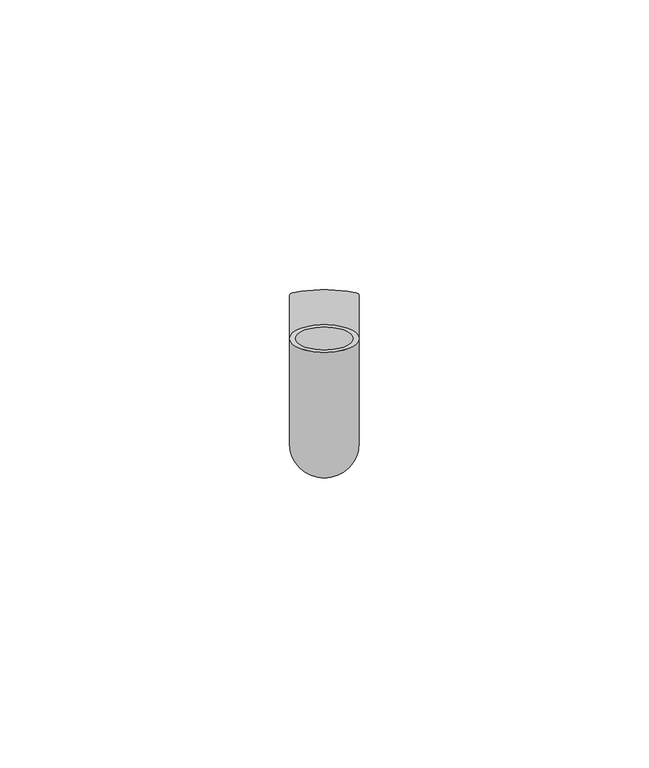
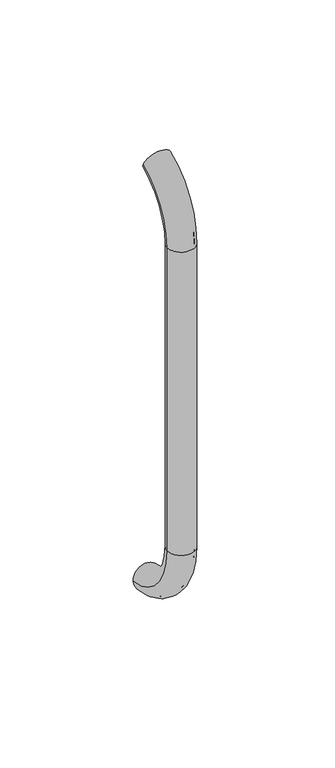
"""IFC4 building model written with IfcOpenShell, lengths in millimetres: beam geometry."""

from ifc_helpers import new_model, si_unit, point, frame, origin, place, context, project, spatial, polyline, circle_curve, ellipse_curve, trimmed, source, transform, mapped, element, save
from ifc_brep_helpers import plane_surface, cylinder_surface, revolved_surface, advanced_brep


def beam_db0bda63(model_context):
    return source(origin(), model_context, "Body", "AdvancedBrep", [
        advanced_brep(
        [(4211.5708347, 2444.0395554, 1993.7787656), (4223.5708347, 2444.0395554, 1993.7787656), (4212.5708347, 2444.0395554, 1993.7787656), (4222.5708347, 2444.0395554, 1993.7787656), (4222.5708347, 2425.9629385, 1966.25), (4212.5708347, 2425.9629385, 1966.25), (4223.5708347, 2425.9629385, 1966.25), (4211.5708347, 2425.9629385, 1966.25), (4212.5708347, 2425.9629385, 1826.25), (4222.5708347, 2425.9629385, 1826.25), (4211.5708347, 2425.9629385, 1826.25), (4223.5708347, 2425.9629385, 1826.25), (4211.5708347, 2451.5825147, 1796.5715249), (4223.5708347, 2451.5825147, 1796.5715249), (4212.5708347, 2451.5825147, 1796.5715249), (4222.5708347, 2451.5825147, 1796.5715249)],
        [
            (0, 1, circle_curve(frame((4217.5708347, 2444.0395554, 1993.7787656), z_axis=(0.0, 0.9176255197351176, 0.3974461039321624), x_axis=(1.0, 0.0, 0.0)), 6.0)),
            (1, 0, circle_curve(frame((4217.5708347, 2444.0395554, 1993.7787656), z_axis=(0.0, 0.9176255197351176, 0.3974461039321624), x_axis=(1.0, 0.0, 0.0)), 6.0)),
            (2, 3, circle_curve(frame((4217.5708347, 2444.0395554, 1993.7787656), z_axis=(0.0, -0.9176255197351176, -0.3974461039321624), x_axis=(1.0, 0.0, 0.0)), 5.0)),
            (3, 2, circle_curve(frame((4217.5708347, 2444.0395554, 1993.7787656), z_axis=(0.0, -0.9176255197351176, -0.3974461039321624), x_axis=(1.0, 0.0, 0.0)), 5.0)),
            (4, 3, circle_curve(frame((4222.5708347, 2455.9629385, 1966.25), z_axis=(-1.0, 0.0, 0.0), x_axis=(0.0, -0.3974461039321624, 0.9176255197351176)), 30.0)),
            (2, 5, circle_curve(frame((4212.5708347, 2455.9629385, 1966.25), z_axis=(1.0, 0.0, 0.0), x_axis=(0.0, -0.3974461039321624, 0.9176255197351176)), 30.0)),
            (5, 4, circle_curve(frame((4217.5708347, 2425.9629385, 1966.25), z_axis=(0.0, 0.0, -0.9999999999999999), x_axis=(1.0, 0.0, 0.0)), 5.0)),
            (4, 5, circle_curve(frame((4217.5708347, 2425.9629385, 1966.25), z_axis=(0.0, 0.0, -0.9999999999999999), x_axis=(1.0, 0.0, 0.0)), 5.0)),
            (6, 1, circle_curve(frame((4223.5708347, 2455.9629385, 1966.25), z_axis=(-1.0, 0.0, 0.0), x_axis=(0.0, -0.3974461039321624, 0.9176255197351176)), 30.0)),
            (0, 7, circle_curve(frame((4211.5708347, 2455.9629385, 1966.25), z_axis=(1.0, 0.0, 0.0), x_axis=(0.0, -0.3974461039321624, 0.9176255197351176)), 30.0)),
            (7, 6, circle_curve(frame((4217.5708347, 2425.9629385, 1966.25), z_axis=(0.0, 0.0, 0.9999999999999999), x_axis=(1.0, 0.0, 0.0)), 6.0)),
            (6, 7, circle_curve(frame((4217.5708347, 2425.9629385, 1966.25), z_axis=(0.0, 0.0, 0.9999999999999999), x_axis=(1.0, 0.0, 0.0)), 6.0)),
            (5, 8),
            (8, 9, circle_curve(frame((4217.5708347, 2425.9629385, 1826.25), z_axis=(0.0, 0.0, -1.0), x_axis=(1.0, 0.0, 0.0)), 5.0)),
            (9, 4),
            (9, 8, circle_curve(frame((4217.5708347, 2425.9629385, 1826.25), z_axis=(0.0, 0.0, -1.0), x_axis=(1.0, 0.0, 0.0)), 5.0)),
            (7, 10),
            (10, 11, circle_curve(frame((4217.5708347, 2425.9629385, 1826.25), z_axis=(0.0, 0.0, 1.0), x_axis=(1.0, 0.0, 0.0)), 6.0)),
            (11, 6),
            (11, 10, circle_curve(frame((4217.5708347, 2425.9629385, 1826.25), z_axis=(0.0, 0.0, 1.0), x_axis=(1.0, 0.0, 0.0)), 6.0)),
            (12, 13, circle_curve(frame((4217.5708347, 2451.5825147, 1796.5715249), z_axis=(0.0, 0.9892825047438852, -0.14601412879466394), x_axis=(1.0, 0.0, 0.0)), 6.0)),
            (13, 12, circle_curve(frame((4217.5708347, 2451.5825147, 1796.5715249), z_axis=(0.0, 0.9892825047438852, -0.14601412879466394), x_axis=(1.0, 0.0, 0.0)), 6.0)),
            (14, 15, circle_curve(frame((4217.5708347, 2451.5825147, 1796.5715249), z_axis=(0.0, -0.9892825047438852, 0.14601412879466394), x_axis=(1.0, 0.0, 0.0)), 5.0)),
            (15, 14, circle_curve(frame((4217.5708347, 2451.5825147, 1796.5715249), z_axis=(0.0, -0.9892825047438852, 0.14601412879466394), x_axis=(1.0, 0.0, 0.0)), 5.0)),
            (15, 9, circle_curve(frame((4222.5708347, 2455.9629385, 1826.25), z_axis=(-1.0, 0.0, 0.0), x_axis=(0.0, -1.0, 0.0)), 30.0)),
            (8, 14, circle_curve(frame((4212.5708347, 2455.9629385, 1826.25), z_axis=(1.0, 0.0, 0.0), x_axis=(0.0, -1.0, 0.0)), 30.0)),
            (13, 11, circle_curve(frame((4223.5708347, 2455.9629385, 1826.25), z_axis=(-1.0, 0.0, 0.0), x_axis=(0.0, -1.0, 0.0)), 30.0)),
            (10, 12, circle_curve(frame((4211.5708347, 2455.9629385, 1826.25), z_axis=(1.0, 0.0, 0.0), x_axis=(0.0, -1.0, 0.0)), 30.0)),
        ],
        [
            plane_surface(frame((4217.5708347, 2444.0395554, 1993.7787656), z_axis=(0.0, 0.9176255197351176, 0.3974461039321624), x_axis=(1.0, 0.0, 0.0))),
            revolved_surface(trimmed(ellipse_curve(frame((4217.5708347, 2444.0395554, 1993.7787656), z_axis=(0.0, -0.9176255197351176, -0.3974461039321624), x_axis=(1.0, 0.0, 0.0)), 5.0, 5.0), [point((4212.5708347, 2444.0395554, 1993.7787656))], [point((4222.5708347, 2444.0395554, 1993.7787656))], True, "CARTESIAN"), (4217.5708347, 2455.9629385, 1966.25), (1.0, 0.0, 0.0)),
            revolved_surface(trimmed(ellipse_curve(frame((4217.5708347, 2444.0395554, 1993.7787656), z_axis=(0.0, -0.9176255197351176, -0.3974461039321624), x_axis=(1.0, 0.0, 0.0)), 5.0, 5.0), [point((4222.5708347, 2444.0395554, 1993.7787656))], [point((4212.5708347, 2444.0395554, 1993.7787656))], True, "CARTESIAN"), (4217.5708347, 2455.9629385, 1966.25), (1.0, 0.0, 0.0)),
            revolved_surface(trimmed(ellipse_curve(frame((4217.5708347, 2444.0395554, 1993.7787656), z_axis=(0.0, 0.9176255197351176, 0.3974461039321624), x_axis=(1.0, 0.0, 0.0)), 6.0, 6.0), [point((4211.5708347, 2444.0395554, 1993.7787656))], [point((4223.5708347, 2444.0395554, 1993.7787656))], True, "CARTESIAN"), (4217.5708347, 2455.9629385, 1966.25), (1.0, 0.0, 0.0)),
            revolved_surface(trimmed(ellipse_curve(frame((4217.5708347, 2444.0395554, 1993.7787656), z_axis=(0.0, 0.9176255197351176, 0.3974461039321624), x_axis=(1.0, 0.0, 0.0)), 6.0, 6.0), [point((4223.5708347, 2444.0395554, 1993.7787656))], [point((4211.5708347, 2444.0395554, 1993.7787656))], True, "CARTESIAN"), (4217.5708347, 2455.9629385, 1966.25), (1.0, 0.0, 0.0)),
            revolved_surface(polyline([(4222.5708347, 2425.9629385, 1826.25), (4222.5708347, 2425.9629385, 1966.25)]), (4217.5708347, 2425.9629385, 1966.25), (0.0, 0.0, -1.0)),
            cylinder_surface(frame((4217.5708347, 2425.9629385, 1966.25), z_axis=(0.0, 0.0, 1.0), x_axis=(1.0, 0.0, 0.0)), 6.0),
            plane_surface(frame((4217.5708347, 2451.5825147, 1796.5715249), z_axis=(0.0, 0.9892825047438852, -0.14601412879466397), x_axis=(1.0, 0.0, 0.0))),
            revolved_surface(trimmed(ellipse_curve(frame((4217.5708347, 2425.9629385, 1826.25), z_axis=(0.0, 0.0, -1.0), x_axis=(1.0, 0.0, 0.0)), 5.0, 5.0), [point((4212.5708347, 2425.9629385, 1826.25))], [point((4222.5708347, 2425.9629385, 1826.25))], True, "CARTESIAN"), (4217.5708347, 2455.9629385, 1826.25), (1.0, 0.0, 0.0)),
            revolved_surface(trimmed(ellipse_curve(frame((4217.5708347, 2425.9629385, 1826.25), z_axis=(0.0, 0.0, -1.0), x_axis=(1.0, 0.0, 0.0)), 5.0, 5.0), [point((4222.5708347, 2425.9629385, 1826.25))], [point((4212.5708347, 2425.9629385, 1826.25))], True, "CARTESIAN"), (4217.5708347, 2455.9629385, 1826.25), (1.0, 0.0, 0.0)),
            revolved_surface(trimmed(ellipse_curve(frame((4217.5708347, 2425.9629385, 1826.25), z_axis=(0.0, 0.0, 1.0), x_axis=(1.0, 0.0, 0.0)), 6.0, 6.0), [point((4211.5708347, 2425.9629385, 1826.25))], [point((4223.5708347, 2425.9629385, 1826.25))], True, "CARTESIAN"), (4217.5708347, 2455.9629385, 1826.25), (1.0, 0.0, 0.0)),
            revolved_surface(trimmed(ellipse_curve(frame((4217.5708347, 2425.9629385, 1826.25), z_axis=(0.0, 0.0, 1.0), x_axis=(1.0, 0.0, 0.0)), 6.0, 6.0), [point((4223.5708347, 2425.9629385, 1826.25))], [point((4211.5708347, 2425.9629385, 1826.25))], True, "CARTESIAN"), (4217.5708347, 2455.9629385, 1826.25), (1.0, 0.0, 0.0)),
        ],
        [
            (0, [[1, 2], [3, 4]]),
            (1, [[5, -3, 6, 7]]),
            (2, [[-6, -4, -5, 8]]),
            (3, [[9, -1, 10, 11]]),
            (4, [[-10, -2, -9, 12]]),
            (5, [[-7, 13, 14, 15]]),
            (5, [[-8, -15, 16, -13]]),
            (6, [[-11, 17, 18, 19]]),
            (6, [[-12, -19, 20, -17]]),
            (7, [[21, 22], [23, 24]]),
            (8, [[25, -14, 26, -24]]),
            (9, [[-26, -16, -25, -23]]),
            (10, [[27, -18, 28, -22]]),
            (11, [[-28, -20, -27, -21]]),
        ],
    ),
    ])


if __name__ == "__main__":
    model = new_model("IFC4")
    model_context = context("Model", 3, world=origin())
    ifc_project = project(units=[si_unit("LENGTHUNIT", "METRE", prefix="MILLI")], contexts=[model_context])
    site = spatial("IfcSite", under=ifc_project)
    building = spatial("IfcBuilding", under=site)
    placement = place(None, origin())
    beam_shape = beam_db0bda63(model_context)
    element("IfcBeam", 1, at=placement, inside=building, context=model_context, shape_type="MappedRepresentation", body=[
        mapped(beam_shape, transform((0.0, 0.0, 0.0), x_axis=(1.0, 0.0, 0.0), y_axis=(0.0, 1.0, 0.0), z_axis=(0.0, 0.0, 1.0))),
    ])
    save(model, "model.ifc")
